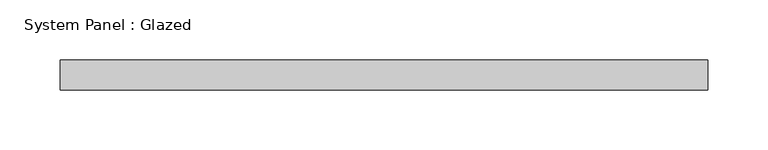
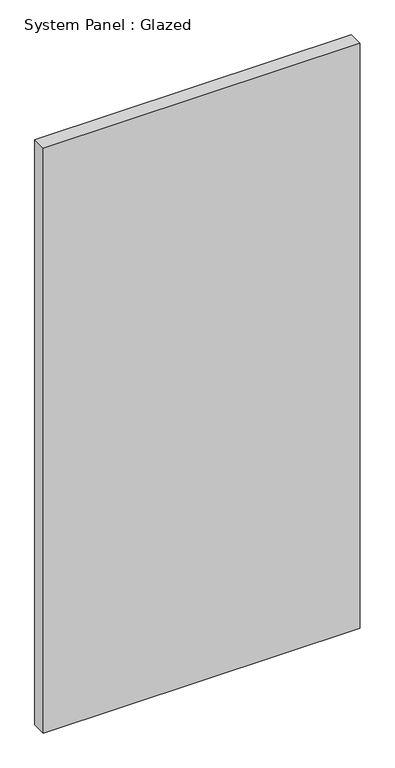
"""IFC4 building model written with IfcOpenShell, lengths in millimetres: plate geometry, System Panel : Glazed."""

import ifcopenshell
import ifcopenshell.guid

model = None  # the IFC model being written
_history = None  # IfcOwnerHistory: only IFC2X3 demands one
_inside = {}  # id of a spatial element -> (the spatial element, [elements in it])
_under = {}  # id of a project, library or spatial element -> (it, [spatial elements below it])
_declared = {}  # id of a project -> (the project, [libraries it declares])
_typed = {}  # id of a type object -> (the type object, [elements of that type])
_made_of = {}  # id of a material, layer set ... -> (it, [elements and type objects made of it])


def new_model(schema):
    """Start an empty IFC model of exactly this schema.

    Asked for "IFC4X3", IfcOpenShell would pick the latest addendum, in which some entities
    have other attributes; the version numbers below select the first issue.
    IFC2X3 requires an IfcOwnerHistory on every rooted entity: one is made here for all.
    """
    global model, _history
    if schema == "IFC4X3":
        model = ifcopenshell.file(schema_version=(4, 3, 0, 0))
    else:
        model = ifcopenshell.file(schema=schema)
    _inside.clear()
    _under.clear()
    _declared.clear()
    _typed.clear()
    _made_of.clear()
    _history = None
    if model.schema == "IFC2X3":
        org = make("IfcOrganization", Name="unknown")
        user = make(
            "IfcPersonAndOrganization",
            ThePerson=make("IfcPerson", FamilyName="unknown"),
            TheOrganization=org,
        )
        app = make(
            "IfcApplication",
            ApplicationDeveloper=org,
            Version="unknown",
            ApplicationFullName="unknown",
            ApplicationIdentifier="unknown",
        )
        _history = make(
            "IfcOwnerHistory",
            OwningUser=user,
            OwningApplication=app,
            ChangeAction="ADDED",
            CreationDate=0,
        )
    return model


def make(cls, **values):
    """One entity of the class cls with the attributes given. An attribute that is None is left unset."""
    return model.create_entity(
        cls, **{name: value for name, value in values.items() if value is not None}
    )


def rooted(cls, **values):
    """An entity with a GlobalId (a new one), such as an element, a storey or a relation."""
    return make(cls, GlobalId=ifcopenshell.guid.new(), OwnerHistory=_history, **values)


def si_unit(unit_type, name, prefix=None):
    """IfcSIUnit, for example si_unit("LENGTHUNIT", "METRE", prefix="MILLI")."""
    return make("IfcSIUnit", UnitType=unit_type, Prefix=prefix, Name=name)


def assignment(units):
    """IfcUnitAssignment: the units of a project."""
    return None if units is None else make("IfcUnitAssignment", Units=units)


def point(xyz):
    """IfcCartesianPoint."""
    return None if xyz is None else make("IfcCartesianPoint", Coordinates=xyz)


def direction(xyz):
    """IfcDirection."""
    return None if xyz is None else make("IfcDirection", DirectionRatios=xyz)


def frame(location, z_axis=None, x_axis=None):
    """IfcAxis2Placement3D, a coordinate frame: its origin and axes. An axis left out is left unset."""
    return make(
        "IfcAxis2Placement3D",
        Location=point(location),
        Axis=direction(z_axis),
        RefDirection=direction(x_axis),
    )


def origin():
    """The frame at (0, 0, 0) with its axes left unset."""
    return frame((0.0, 0.0, 0.0))


def origin_with_axes():
    """The frame at (0, 0, 0) with the z axis (0, 0, 1) and the x axis (1, 0, 0) written out."""
    return frame((0.0, 0.0, 0.0), z_axis=(0.0, 0.0, 1.0), x_axis=(1.0, 0.0, 0.0))


def place(relative_to, where):
    """IfcLocalPlacement: puts the frame where relative to a parent placement (None: the world)."""
    return make(
        "IfcLocalPlacement", PlacementRelTo=relative_to, RelativePlacement=where
    )


def context(
    kind, dimensions, precision=None, world=None, true_north=None, identifier=None
):
    """IfcGeometricRepresentationContext, for example the 3D "Model" context."""
    return make(
        "IfcGeometricRepresentationContext",
        ContextIdentifier=identifier,
        ContextType=kind,
        CoordinateSpaceDimension=dimensions,
        Precision=precision,
        WorldCoordinateSystem=world,
        TrueNorth=true_north,
    )


def project(units=None, contexts=None):
    """IfcProject with its units and contexts."""
    return rooted(
        "IfcProject",
        Name="project",
        RepresentationContexts=contexts,
        UnitsInContext=assignment(units),
    )


def spatial(cls, under=None, at=None, **own):
    """A site, building, storey or space (cls), placed at a placement, below another one or the project."""
    s = rooted(cls, ObjectPlacement=at, **own)
    if under is not None:
        _under.setdefault(under.id(), (under, []))[1].append(s)
    return s


def polyline(points):
    """IfcPolyline through the points."""
    return make("IfcPolyline", Points=[point(p) for p in points])


def outline(outer, holes=None, kind="AREA"):
    """IfcArbitraryClosedProfileDef: a profile drawn as a closed curve; with holes, ...WithVoids."""
    if holes is None:
        return make("IfcArbitraryClosedProfileDef", ProfileType=kind, OuterCurve=outer)
    return make(
        "IfcArbitraryProfileDefWithVoids",
        ProfileType=kind,
        OuterCurve=outer,
        InnerCurves=holes,
    )


def extrude(swept, where, along, depth):
    """IfcExtrudedAreaSolid: the profile swept, set in the frame where, extruded along a direction by depth."""
    return make(
        "IfcExtrudedAreaSolid",
        SweptArea=swept,
        Position=where,
        ExtrudedDirection=direction(along),
        Depth=depth,
    )


def shape(context_of_items, identifier, shape_type, items):
    """IfcShapeRepresentation: the items that make up one representation, for example the "Body"."""
    return make(
        "IfcShapeRepresentation",
        ContextOfItems=context_of_items,
        RepresentationIdentifier=identifier,
        RepresentationType=shape_type,
        Items=items,
    )


def source(mapping_origin, context_of_items, identifier, shape_type, items):
    """IfcRepresentationMap: a shape defined once, which mapped items show again and again."""
    return make(
        "IfcRepresentationMap",
        MappingOrigin=mapping_origin,
        MappedRepresentation=shape(context_of_items, identifier, shape_type, items),
    )


def transform(
    local_origin,
    x_axis=None,
    y_axis=None,
    z_axis=None,
    scale=None,
    scale2=None,
    scale3=None,
    uniform=True,
):
    """IfcCartesianTransformationOperator3D, or its non-uniform kind. x_axis, y_axis, z_axis: its Axis1, 2, 3."""
    if uniform:
        return make(
            "IfcCartesianTransformationOperator3D",
            Axis1=direction(x_axis),
            Axis2=direction(y_axis),
            LocalOrigin=point(local_origin),
            Scale=scale,
            Axis3=direction(z_axis),
        )
    return make(
        "IfcCartesianTransformationOperator3DnonUniform",
        Axis1=direction(x_axis),
        Axis2=direction(y_axis),
        LocalOrigin=point(local_origin),
        Scale=scale,
        Axis3=direction(z_axis),
        Scale2=scale2,
        Scale3=scale3,
    )


def mapped(mapping_source, mapping_target):
    """IfcMappedItem: shows the shape of a source again, moved by a transform."""
    return make(
        "IfcMappedItem", MappingSource=mapping_source, MappingTarget=mapping_target
    )


def made_of(thing, what):
    """Note that an element or type object is made of a material, layer set ...; save() writes the relation."""
    if what is not None:
        _made_of.setdefault(what.id(), (what, []))[1].append(thing)
    return thing


def element(
    cls,
    number,
    at=None,
    inside=None,
    cuts=None,
    type_object=None,
    material=None,
    context=None,
    identifier="Body",
    shape_type=None,
    held_by="IfcProductDefinitionShape",
    body=None,
    shapes=None,
    **own,
):
    """One element of the class cls, such as IfcWall. Its Tag is "e" and its number.

    at: its placement. inside: the storey or other place that contains it. cuts: it is an
    opening in that element (IfcRelVoidsElement). A single representation is given by context,
    identifier, shape_type and body (its items); several are given by shapes. held_by: the class
    of the entity that holds the representations. save() writes the other relations.
    """
    e = rooted(cls, Tag="e%d" % number, ObjectPlacement=at, **own)
    if body is not None:
        shapes = [shape(context, identifier, shape_type, body)]
    if shapes is not None:
        e.Representation = make(held_by, Representations=shapes)
    if inside is not None:
        _inside.setdefault(inside.id(), (inside, []))[1].append(e)
    if cuts is not None:
        rooted(
            "IfcRelVoidsElement", RelatingBuildingElement=cuts, RelatedOpeningElement=e
        )
    if type_object is not None:
        _typed.setdefault(type_object.id(), (type_object, []))[1].append(e)
    return made_of(e, material)


def aggregate(whole, parts):
    """IfcRelAggregates: a whole, such as a stair, and the parts it consists of."""
    return rooted("IfcRelAggregates", RelatingObject=whole, RelatedObjects=parts)


def save(model, path):
    """Write the relations noted so far, then the file.

    IfcRelAggregates (storeys below a building ...), IfcRelContainedInSpatialStructure (elements
    in a storey), IfcRelDefinesByType, IfcRelAssociatesMaterial and IfcRelDeclares: one each for
    every whole, place, type object, material and project.
    """
    for whole, parts in _under.values():
        aggregate(whole, parts)
    for where, things in _inside.values():
        rooted(
            "IfcRelContainedInSpatialStructure",
            RelatedElements=things,
            RelatingStructure=where,
        )
    for kind, things in _typed.values():
        rooted("IfcRelDefinesByType", RelatedObjects=things, RelatingType=kind)
    for what, things in _made_of.values():
        rooted("IfcRelAssociatesMaterial", RelatedObjects=things, RelatingMaterial=what)
    for by, libraries in _declared.values():
        rooted("IfcRelDeclares", RelatingContext=by, RelatedDefinitions=libraries)
    model.write(path)


def system_panel_glazed_de9857a7(model_context):
    return source(origin(), model_context, "Body", "SweptSolid", [
        extrude(outline(polyline([(269.5, -12.5), (-269.5, -12.5), (-269.5, 12.5), (269.5, 12.5), (269.5, -12.5)])), origin_with_axes(), (0.0, 0.0, 1.0), 1052.0),
    ])


if __name__ == "__main__":
    model = new_model("IFC4")
    model_context = context("Model", 3, world=origin())
    ifc_project = project(units=[si_unit("LENGTHUNIT", "METRE", prefix="MILLI")], contexts=[model_context])
    site = spatial("IfcSite", under=ifc_project)
    building = spatial("IfcBuilding", under=site)
    placement = place(None, origin())
    system_panel_glazed_shape = system_panel_glazed_de9857a7(model_context)
    element("IfcPlate", 1, ObjectType="System Panel : Glazed", at=placement, inside=building, context=model_context, shape_type="MappedRepresentation", body=[
        mapped(system_panel_glazed_shape, transform((0.0, 0.0, 0.0), x_axis=(1.0, 0.0, 0.0), y_axis=(0.0, 1.0, 0.0), z_axis=(0.0, 0.0, 1.0))),
    ])
    save(model, "model.ifc")
